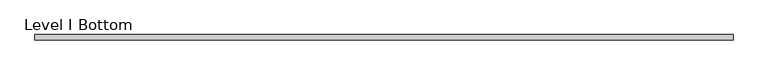
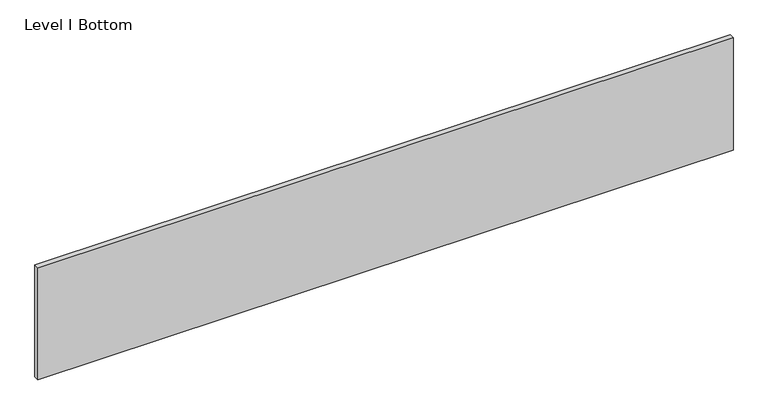
"""IFC4 building model written with IfcOpenShell, lengths in millimetres: proxy geometry, Level I Bottom."""

from ifc_helpers import new_model, si_unit, frame, origin, place, context, project, spatial, polyline, outline, extrude, source, transform, mapped, element, save


def level_i_bottom_886b868d(model_context):
    return source(origin(), model_context, "Body", "SweptSolid", [
        extrude(outline(polyline([(1259.8356344, 9.525), (1259.8356344, -9.525), (-1259.8356344, -9.525), (-1259.8356344, 9.525), (1259.8356344, 9.525)])), frame((0.0, 0.0, 3.175), z_axis=(0.0, 0.0, 1.0), x_axis=(1.0, 0.0, 0.0)), (0.0, 0.0, 1.0), 429.768),
    ])


if __name__ == "__main__":
    model = new_model("IFC4")
    model_context = context("Model", 3, world=origin())
    ifc_project = project(units=[si_unit("LENGTHUNIT", "METRE", prefix="MILLI")], contexts=[model_context])
    site = spatial("IfcSite", under=ifc_project)
    building = spatial("IfcBuilding", under=site)
    placement = place(None, origin())
    level_i_bottom_shape = level_i_bottom_886b868d(model_context)
    element("IfcBuildingElementProxy", 1, Name="Level I Bottom", ObjectType="Level I Bottom", at=placement, inside=building, context=model_context, shape_type="MappedRepresentation", body=[
        mapped(level_i_bottom_shape, transform((0.0, 0.0, 0.0), x_axis=(1.0, 0.0, 0.0), y_axis=(0.0, 1.0, 0.0), z_axis=(0.0, 0.0, 1.0))),
    ])
    save(model, "model.ifc")
